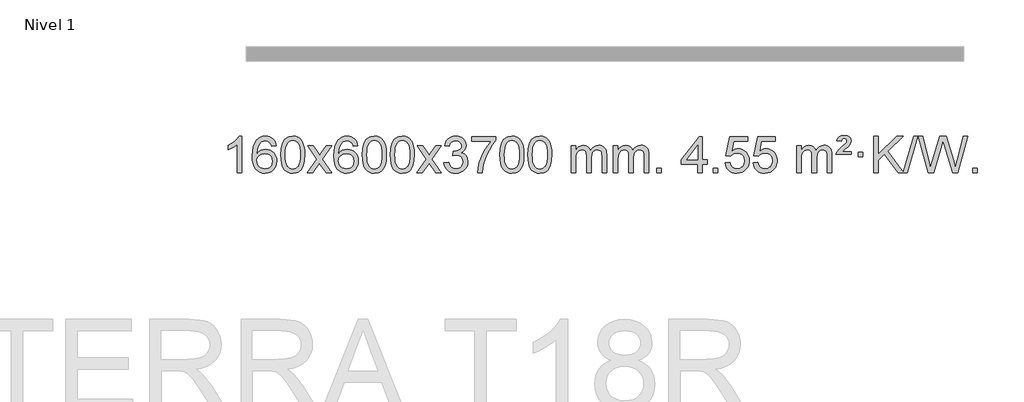
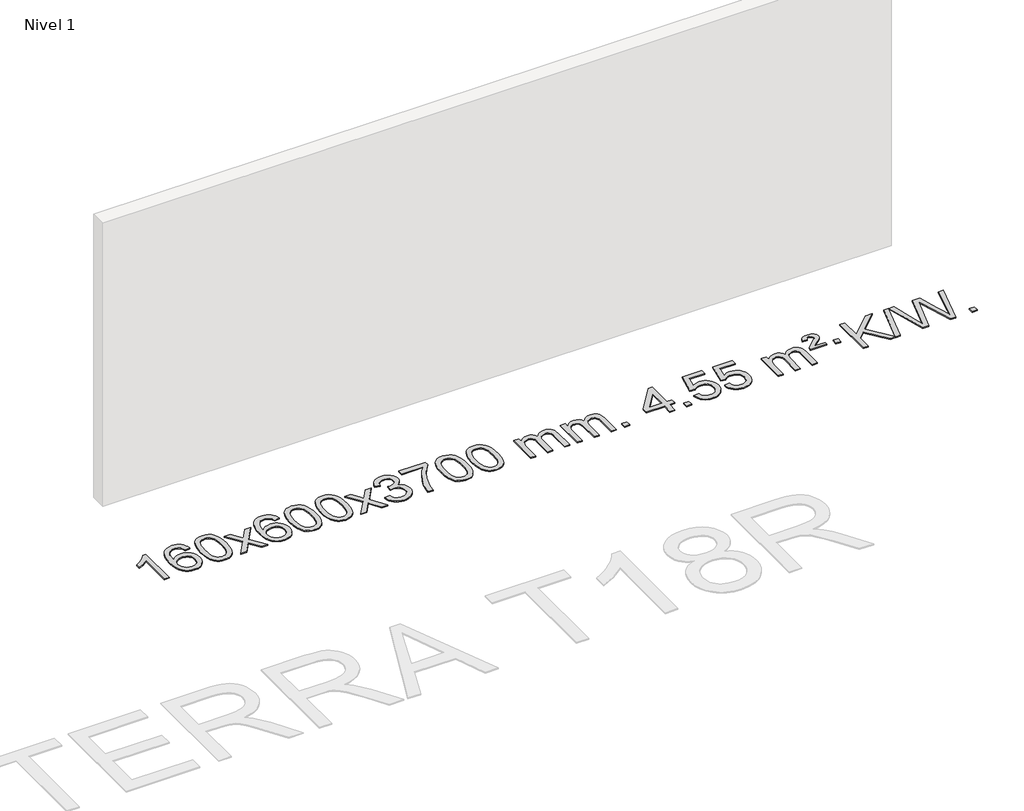
# One storey, part 6 of 13: 1 proxy.
"""IFC4 building model written with IfcOpenShell, lengths in millimetres."""

from ifc_helpers import new_model, si_unit, origin, origin_with_axes, place, context, project, spatial, polyline, outline, extrude, element, save

model = new_model("IFC4")

# Units and contexts
model_context = context("Model", 3, world=origin())
ifc_project = project(units=[si_unit("LENGTHUNIT", "METRE", prefix="MILLI")], contexts=[model_context])

# Site, building, storey
site = spatial("IfcSite", under=ifc_project)
building = spatial("IfcBuilding", under=site)
storey = spatial("IfcBuildingStorey", under=building, Name="Nivel 1", Elevation=0.0)

# Proxy
placement = place(None, origin())
element("IfcBuildingElementProxy", 1, Name="Texto de modelo 1", ObjectType="Texto de modelo 1", at=placement, inside=storey, context=model_context, shape_type="SweptSolid", body=[
    extrude(outline(polyline([(-1875.4615788, -15407.579453), (-1925.6897338, -15407.579453), (-1925.6897338, -15094.4382987), (-1946.6590076, -15111.3976587), (-1973.2691385, -15128.3324932), (-2026.146044, -15153.6918254), (-2026.146044, -15106.2105225), (-1986.6968314, -15084.7507395), (-1952.520594, -15059.219729), (-1925.5793692, -15032.0700378), (-1907.8351943, -15005.7542124), (-1875.4615788, -15005.7542124), (-1875.4615788, -15407.579453)])), origin_with_axes(), (0.0, 0.0, 1.0), 10.0),
    extrude(outline(polyline([(-1498.7504157, -15112.4890419), (-1548.9785708, -15118.7675613), (-1557.0719747, -15093.874213), (-1568.0103327, -15076.8780648), (-1590.7944909, -15061.2062918), (-1618.3365896, -15055.9823675), (-1641.6848336, -15059.0235253), (-1663.6596514, -15068.1469988), (-1682.5319978, -15087.3627017), (-1697.9462534, -15113.8134171), (-1708.3573138, -15151.227016), (-1712.2200748, -15203.3313693), (-1692.0724042, -15179.8237098), (-1667.9270826, -15163.2567573), (-1641.1330106, -15153.434308), (-1613.0390889, -15150.1601582), (-1588.90603, -15152.398107), (-1566.6369065, -15159.1119534), (-1546.2317185, -15170.3016975), (-1527.690466, -15185.9673391), (-1512.2823418, -15205.1769106), (-1501.2765387, -15226.9984443), (-1494.6730569, -15251.4319401), (-1492.4718963, -15278.4773982), (-1496.6167001, -15314.4439945), (-1509.0511116, -15347.786366), (-1528.745061, -15376.0642287), (-1554.668479, -15396.8372987), (-1585.644143, -15409.602804), (-1620.4948306, -15413.8579724), (-1650.4373594, -15411.0375437), (-1677.4797517, -15402.5762579), (-1701.6220076, -15388.4741147), (-1722.8641272, -15368.7311143), (-1740.1821721, -15342.5133908), (-1752.5522042, -15308.9870783), (-1759.9742234, -15268.1521768), (-1762.4482298, -15220.0086864), (-1759.7013776, -15166.0342663), (-1751.4608209, -15119.9693092), (-1737.7265598, -15081.8138149), (-1718.4985942, -15051.5677835), (-1697.6580791, -15031.5243462), (-1673.4943634, -15017.2076052), (-1646.007447, -15008.6175606), (-1615.1973299, -15005.7542124), (-1592.0636838, -15007.5261773), (-1571.1250669, -15012.8420722), (-1552.3814792, -15021.7018969), (-1535.8329208, -15034.1056515), (-1521.9269814, -15049.6364031), (-1511.1112507, -15067.8772186), (-1503.3857288, -15088.8280983), (-1498.7504157, -15112.4890419)]), holes=[polyline([(-1712.2200748, -15277.6925832), (-1709.313807, -15299.9494439), (-1700.5950037, -15321.2007605), (-1687.0569463, -15339.472233), (-1669.6929161, -15352.7895612), (-1648.7359051, -15360.9197533), (-1624.4189053, -15363.6298173), (-1591.2727375, -15358.0134855), (-1577.357601, -15350.9930708), (-1565.2144295, -15341.1644901), (-1555.3643891, -15328.9262824), (-1548.3286459, -15314.6769865), (-1542.7000514, -15280.1451299), (-1548.2550695, -15246.9989621), (-1555.1988422, -15233.3781312), (-1564.9201239, -15221.725469), (-1577.1000836, -15212.3904634), (-1591.4198903, -15205.7226022), (-1626.4790444, -15200.3883133), (-1659.5761613, -15205.7226022), (-1687.25315, -15221.725469), (-1698.1761796, -15233.2248471), (-1705.9783436, -15246.3858254), (-1710.659642, -15261.2084042), (-1712.2200748, -15277.6925832)])]), origin_with_axes(), (0.0, 0.0, 1.0), 10.0),
    extrude(outline(polyline([(-1448.5222606, -15209.9041943), (-1444.8311779, -15145.5861588), (-1433.7579299, -15094.2911459), (-1415.4128811, -15055.2343407), (-1403.5548181, -15040.0009605), (-1389.9063961, -15027.6309284), (-1374.4216298, -15018.0598651), (-1357.0545339, -15011.2233914), (-1316.6733536, -15005.7542124), (-1285.722215, -15008.991574), (-1258.0084381, -15018.7036586), (-1234.8318724, -15034.5103217), (-1217.4923677, -15056.0314184), (-1204.3957686, -15083.0830078), (-1193.94792, -15115.4811488), (-1187.1053149, -15156.6226186), (-1184.8244465, -15209.9041943), (-1188.478741, -15273.8543477), (-1199.4416244, -15325.0267333), (-1217.6763087, -15364.1203266), (-1229.5067805, -15379.3996922), (-1243.1460055, -15391.8341036), (-1258.6491659, -15401.4695462), (-1276.071444, -15408.3520052), (-1316.6733536, -15413.8579724), (-1344.3380796, -15411.4667394), (-1368.8635459, -15404.2930405), (-1390.2497526, -15392.3368757), (-1408.4966996, -15375.5982449), (-1426.0078825, -15345.3399508), (-1438.5158704, -15307.6381776), (-1446.0206631, -15262.4929255), (-1448.5222606, -15209.9041943)]), holes=[polyline([(-1398.2941056, -15209.8060924), (-1396.8225776, -15253.4706195), (-1392.4079936, -15288.8148822), (-1385.0503537, -15315.8388804), (-1374.7496579, -15334.5426142), (-1362.290721, -15347.2682656), (-1348.4583579, -15356.3580165), (-1333.2525688, -15361.8118671), (-1316.6733536, -15363.6298173), (-1300.0941383, -15361.8057357), (-1284.8883492, -15356.3334911), (-1271.0559862, -15347.2130833), (-1258.5970493, -15334.4445124), (-1248.2963534, -15315.7101217), (-1240.9387135, -15288.6922549), (-1236.5241295, -15253.3909118), (-1235.0526016, -15209.8060924), (-1236.4750786, -15167.2973278), (-1240.7425098, -15132.5753989), (-1247.854895, -15105.6403055), (-1257.8122343, -15086.4920476), (-1270.0627048, -15073.1440625), (-1284.0544833, -15063.6097875), (-1299.78757, -15057.8892225), (-1317.2619648, -15055.9823675), (-1333.7553409, -15057.6623619), (-1348.7036126, -15062.7023452), (-1362.10678, -15071.1023175), (-1373.9648429, -15082.8622786), (-1384.6088953, -15103.708925), (-1392.2117899, -15131.8151094), (-1396.7735266, -15167.1808319), (-1398.2941056, -15209.8060924)])]), origin_with_axes(), (0.0, 0.0, 1.0), 10.0),
    extrude(outline(polyline([(-1159.7103689, -15407.579453), (-1052.3869282, -15259.1513307), (-1153.4318496, -15112.4890419), (-1093.1973042, -15112.4890419), (-1044.4406771, -15183.2204869), (-1021.5829425, -15216.4770192), (-1001.7663657, -15189.2047007), (-946.2407099, -15112.4890419), (-885.8099608, -15112.4890419), (-991.9561791, -15259.2494325), (-889.7340354, -15407.579453), (-950.0666826, -15407.579453), (-1011.6746541, -15318.3067555), (-1022.8582667, -15301.923744), (-1099.2796199, -15407.579453), (-1159.7103689, -15407.579453)])), origin_with_axes(), (0.0, 0.0, 1.0), 10.0),
    extrude(outline(polyline([(-600.9221437, -15112.4890419), (-651.1502988, -15118.7675613), (-659.2437027, -15093.874213), (-670.1820607, -15076.8780648), (-692.9662189, -15061.2062918), (-720.5083176, -15055.9823675), (-743.8565616, -15059.0235253), (-765.8313794, -15068.1469988), (-784.7037258, -15087.3627017), (-800.1179814, -15113.8134171), (-810.5290419, -15151.227016), (-814.3918028, -15203.3313693), (-794.2441322, -15179.8237098), (-770.0988106, -15163.2567573), (-743.3047386, -15153.434308), (-715.2108169, -15150.1601582), (-691.077758, -15152.398107), (-668.8086346, -15159.1119534), (-648.4034466, -15170.3016975), (-629.862194, -15185.9673391), (-614.4540698, -15205.1769106), (-603.4482668, -15226.9984443), (-596.844785, -15251.4319401), (-594.6436244, -15278.4773982), (-598.7884282, -15314.4439945), (-611.2228396, -15347.786366), (-630.9167891, -15376.0642287), (-656.840207, -15396.8372987), (-687.815871, -15409.602804), (-722.6665587, -15413.8579724), (-752.6090874, -15411.0375437), (-779.6514797, -15402.5762579), (-803.7937357, -15388.4741147), (-825.0358552, -15368.7311143), (-842.3539001, -15342.5133908), (-854.7239322, -15308.9870783), (-862.1459515, -15268.1521768), (-864.6199579, -15220.0086864), (-861.8731057, -15166.0342663), (-853.632549, -15119.9693092), (-839.8982878, -15081.8138149), (-820.6703222, -15051.5677835), (-799.8298072, -15031.5243462), (-775.6660915, -15017.2076052), (-748.179175, -15008.6175606), (-717.3690579, -15005.7542124), (-694.2354118, -15007.5261773), (-673.2967949, -15012.8420722), (-654.5532073, -15021.7018969), (-638.0046489, -15034.1056515), (-624.0987094, -15049.6364031), (-613.2829788, -15067.8772186), (-605.5574569, -15088.8280983), (-600.9221437, -15112.4890419)]), holes=[polyline([(-814.3918028, -15277.6925832), (-811.485535, -15299.9494439), (-802.7667318, -15321.2007605), (-789.2286743, -15339.472233), (-771.8646442, -15352.7895612), (-750.9076332, -15360.9197533), (-726.5906333, -15363.6298173), (-693.4444655, -15358.0134855), (-679.5293291, -15350.9930708), (-667.3861575, -15341.1644901), (-657.5361171, -15328.9262824), (-650.500374, -15314.6769865), (-644.8717794, -15280.1451299), (-650.4267976, -15246.9989621), (-657.3705702, -15233.3781312), (-667.0918519, -15221.725469), (-679.2718117, -15212.3904634), (-693.5916183, -15205.7226022), (-728.6507725, -15200.3883133), (-761.7478893, -15205.7226022), (-789.4248781, -15221.725469), (-800.3479076, -15233.2248471), (-808.1500716, -15246.3858254), (-812.83137, -15261.2084042), (-814.3918028, -15277.6925832)])]), origin_with_axes(), (0.0, 0.0, 1.0), 10.0),
    extrude(outline(polyline([(-550.6939887, -15209.9041943), (-547.002906, -15145.5861588), (-535.9296579, -15094.2911459), (-517.5846091, -15055.2343407), (-505.7265461, -15040.0009605), (-492.0781241, -15027.6309284), (-476.5933578, -15018.0598651), (-459.2262619, -15011.2233914), (-418.8450816, -15005.7542124), (-387.8939431, -15008.991574), (-360.1801661, -15018.7036586), (-337.0036004, -15034.5103217), (-319.6640957, -15056.0314184), (-306.5674967, -15083.0830078), (-296.119648, -15115.4811488), (-289.2770429, -15156.6226186), (-286.9961745, -15209.9041943), (-290.650469, -15273.8543477), (-301.6133525, -15325.0267333), (-319.8480367, -15364.1203266), (-331.6785085, -15379.3996922), (-345.3177335, -15391.8341036), (-360.8208939, -15401.4695462), (-378.2431721, -15408.3520052), (-418.8450816, -15413.8579724), (-446.5098076, -15411.4667394), (-471.035274, -15404.2930405), (-492.4214806, -15392.3368757), (-510.6684276, -15375.5982449), (-528.1796106, -15345.3399508), (-540.6875984, -15307.6381776), (-548.1923911, -15262.4929255), (-550.6939887, -15209.9041943)]), holes=[polyline([(-500.4658336, -15209.8060924), (-498.9943056, -15253.4706195), (-494.5797217, -15288.8148822), (-487.2220818, -15315.8388804), (-476.9213859, -15334.5426142), (-464.462449, -15347.2682656), (-450.630086, -15356.3580165), (-435.4242968, -15361.8118671), (-418.8450816, -15363.6298173), (-402.2658663, -15361.8057357), (-387.0600772, -15356.3334911), (-373.2277142, -15347.2130833), (-360.7687773, -15334.4445124), (-350.4680814, -15315.7101217), (-343.1104415, -15288.6922549), (-338.6958576, -15253.3909118), (-337.2243296, -15209.8060924), (-338.6468066, -15167.2973278), (-342.9142378, -15132.5753989), (-350.026623, -15105.6403055), (-359.9839624, -15086.4920476), (-372.2344328, -15073.1440625), (-386.2262114, -15063.6097875), (-401.959298, -15057.8892225), (-419.4336928, -15055.9823675), (-435.9270689, -15057.6623619), (-450.8753406, -15062.7023452), (-464.278508, -15071.1023175), (-476.136571, -15082.8622786), (-486.7806234, -15103.708925), (-494.3835179, -15131.8151094), (-498.9452547, -15167.1808319), (-500.4658336, -15209.8060924)])]), origin_with_axes(), (0.0, 0.0, 1.0), 10.0),
    extrude(outline(polyline([(-243.0465388, -15209.9041943), (-239.3554561, -15145.5861588), (-228.2822081, -15094.2911459), (-209.9371593, -15055.2343407), (-198.0790963, -15040.0009605), (-184.4306743, -15027.6309284), (-168.945908, -15018.0598651), (-151.5788121, -15011.2233914), (-111.1976318, -15005.7542124), (-80.2464932, -15008.991574), (-52.5327163, -15018.7036586), (-29.3561506, -15034.5103217), (-12.0166459, -15056.0314184), (1.0799532, -15083.0830078), (11.5278018, -15115.4811488), (18.3704069, -15156.6226186), (20.6512753, -15209.9041943), (16.9969808, -15273.8543477), (6.0340974, -15325.0267333), (-12.2005869, -15364.1203266), (-24.0310587, -15379.3996922), (-37.6702837, -15391.8341036), (-53.1734441, -15401.4695462), (-70.5957222, -15408.3520052), (-111.1976318, -15413.8579724), (-138.8623578, -15411.4667394), (-163.3878241, -15404.2930405), (-184.7740308, -15392.3368757), (-203.0209778, -15375.5982449), (-220.5321607, -15345.3399508), (-233.0401486, -15307.6381776), (-240.5449413, -15262.4929255), (-243.0465388, -15209.9041943)]), holes=[polyline([(-192.8183838, -15209.8060924), (-191.3468558, -15253.4706195), (-186.9322718, -15288.8148822), (-179.5746319, -15315.8388804), (-169.2739361, -15334.5426142), (-156.8149992, -15347.2682656), (-142.9826361, -15356.3580165), (-127.776847, -15361.8118671), (-111.1976318, -15363.6298173), (-94.6184165, -15361.8057357), (-79.4126274, -15356.3334911), (-65.5802644, -15347.2130833), (-53.1213275, -15334.4445124), (-42.8206316, -15315.7101217), (-35.4629917, -15288.6922549), (-31.0484077, -15253.3909118), (-29.5768798, -15209.8060924), (-30.9993568, -15167.2973278), (-35.266788, -15132.5753989), (-42.3791732, -15105.6403055), (-52.3365125, -15086.4920476), (-64.586983, -15073.1440625), (-78.5787615, -15063.6097875), (-94.3118482, -15057.8892225), (-111.786243, -15055.9823675), (-128.2796191, -15057.6623619), (-143.2278908, -15062.7023452), (-156.6310582, -15071.1023175), (-168.4891211, -15082.8622786), (-179.1331735, -15103.708925), (-186.7360681, -15131.8151094), (-191.2978048, -15167.1808319), (-192.8183838, -15209.8060924)])]), origin_with_axes(), (0.0, 0.0, 1.0), 10.0),
    extrude(outline(polyline([(45.7653528, -15407.579453), (153.0887936, -15259.1513307), (52.0438722, -15112.4890419), (112.2784176, -15112.4890419), (161.0350447, -15183.2204869), (183.8927793, -15216.4770192), (203.7093561, -15189.2047007), (259.2350119, -15112.4890419), (319.665761, -15112.4890419), (213.5195426, -15259.2494325), (315.7416864, -15407.579453), (255.4090392, -15407.579453), (193.8010677, -15318.3067555), (182.6174551, -15301.923744), (106.1961019, -15407.579453), (45.7653528, -15407.579453)])), origin_with_axes(), (0.0, 0.0, 1.0), 10.0),
    extrude(outline(polyline([(347.1342833, -15300.8446235), (397.3624384, -15294.5661041), (408.6073647, -15326.1303793), (425.0762153, -15347.4430095), (447.5783307, -15359.5831154), (476.9230512, -15363.6298173), (511.3568059, -15358.0625364), (525.6306274, -15351.1034354), (537.9424115, -15341.3606939), (554.9385596, -15316.4428201), (560.6039424, -15286.2274455), (554.9876106, -15257.5449126), (538.1386152, -15234.2825078), (512.6321302, -15218.8682522), (481.0433295, -15213.730167), (445.8247599, -15219.2238715), (451.4165662, -15168.9957164), (459.4609192, -15169.5843276), (489.5536664, -15165.979084), (516.4581029, -15155.1633534), (527.531351, -15146.9841103), (535.4408139, -15136.8673555), (540.1864916, -15124.8130888), (541.7683842, -15110.8213102), (537.182122, -15089.1285352), (523.4233354, -15071.5315131), (502.4295362, -15059.8696539), (476.1382363, -15055.9823675), (449.7978854, -15059.9064421), (428.264526, -15071.6786659), (412.543702, -15091.299039), (403.6409578, -15118.7675613), (353.4128027, -15112.4890419), (359.3663596, -15088.5092672), (368.2016589, -15067.3867093), (379.9187004, -15049.1213683), (394.5174843, -15033.713244), (411.5381579, -15021.4811677), (430.5208689, -15012.7439703), (451.4656171, -15007.5016519), (474.3724027, -15005.7542124), (505.9489406, -15009.2000404), (534.9503046, -15019.5375245), (559.4021945, -15035.8469596), (577.3303104, -15057.2086408), (588.3299821, -15081.8199463), (591.9965393, -15107.8782543), (588.5139231, -15132.1584659), (578.0660744, -15154.1823347), (560.8001461, -15172.9443165), (536.8632909, -15187.4388671), (568.3049388, -15200.1430586), (591.6041318, -15221.77452), (606.025106, -15251.1560286), (610.8320974, -15287.1103623), (608.4286017, -15312.5923218), (601.2181146, -15336.0631931), (589.2006361, -15357.5229762), (572.3761662, -15376.971671), (551.8790077, -15393.1094278), (528.8434634, -15404.636397), (503.2695334, -15411.5525785), (475.1572176, -15413.8579724), (449.7488345, -15411.8898037), (426.5967943, -15405.9852977), (405.7010969, -15396.1444543), (387.0617425, -15382.3672736), (371.4328891, -15365.4630959), (359.5686947, -15346.2412617), (351.4691595, -15324.7017708), (347.1342833, -15300.8446235)])), origin_with_axes(), (0.0, 0.0, 1.0), 10.0),
    extrude(outline(polyline([(654.7817331, -15062.2608869), (654.7817331, -15012.0327318), (918.4795473, -15012.0327318), (918.4795473, -15052.646904), (880.8942701, -15100.214046), (843.6768749, -15160.7061088), (810.8495382, -15228.6048623), (786.4344365, -15298.3920768), (774.4660089, -15350.6067947), (767.795082, -15407.579453), (717.566927, -15407.579453), (722.9993178, -15355.8061935), (737.5306566, -15294.2717985), (760.7685359, -15229.0463207), (792.3205484, -15166.1998132), (829.1577988, -15109.3865704), (868.2513922, -15062.2608869), (654.7817331, -15062.2608869)])), origin_with_axes(), (0.0, 0.0, 1.0), 10.0),
    extrude(outline(polyline([(962.429183, -15209.9041943), (966.1202656, -15145.5861588), (977.1935137, -15094.2911459), (995.5385625, -15055.2343407), (1007.3966255, -15040.0009605), (1021.0450475, -15027.6309284), (1036.5298138, -15018.0598651), (1053.8969097, -15011.2233914), (1094.27809, -15005.7542124), (1125.2292286, -15008.991574), (1152.9430055, -15018.7036586), (1176.1195712, -15034.5103217), (1193.4590759, -15056.0314184), (1206.555675, -15083.0830078), (1217.0035236, -15115.4811488), (1223.8461287, -15156.6226186), (1226.1269971, -15209.9041943), (1222.4727026, -15273.8543477), (1211.5098192, -15325.0267333), (1193.2751349, -15364.1203266), (1181.4446631, -15379.3996922), (1167.8054381, -15391.8341036), (1152.3022777, -15401.4695462), (1134.8799996, -15408.3520052), (1094.27809, -15413.8579724), (1066.613364, -15411.4667394), (1042.0878976, -15404.2930405), (1020.701691, -15392.3368757), (1002.454744, -15375.5982449), (984.9435611, -15345.3399508), (972.4355732, -15307.6381776), (964.9307805, -15262.4929255), (962.429183, -15209.9041943)]), holes=[polyline([(1012.657338, -15209.8060924), (1014.128866, -15253.4706195), (1018.54345, -15288.8148822), (1025.9010899, -15315.8388804), (1036.2017857, -15334.5426142), (1048.6607226, -15347.2682656), (1062.4930856, -15356.3580165), (1077.6988748, -15361.8118671), (1094.27809, -15363.6298173), (1110.8573053, -15361.8057357), (1126.0630944, -15356.3334911), (1139.8954574, -15347.2130833), (1152.3543943, -15334.4445124), (1162.6550902, -15315.7101217), (1170.0127301, -15288.6922549), (1174.427314, -15253.3909118), (1175.898842, -15209.8060924), (1174.476365, -15167.2973278), (1170.2089338, -15132.5753989), (1163.0965486, -15105.6403055), (1153.1392093, -15086.4920476), (1140.8887388, -15073.1440625), (1126.8969603, -15063.6097875), (1111.1638736, -15057.8892225), (1093.6894788, -15055.9823675), (1077.1961027, -15057.6623619), (1062.247831, -15062.7023452), (1048.8446636, -15071.1023175), (1036.9866007, -15082.8622786), (1026.3425483, -15103.708925), (1018.7396537, -15131.8151094), (1014.1779169, -15167.1808319), (1012.657338, -15209.8060924)])]), origin_with_axes(), (0.0, 0.0, 1.0), 10.0),
    extrude(outline(polyline([(1270.0766328, -15209.9041943), (1273.7677155, -15145.5861588), (1284.8409635, -15094.2911459), (1303.1860124, -15055.2343407), (1315.0440753, -15040.0009605), (1328.6924974, -15027.6309284), (1344.1772637, -15018.0598651), (1361.5443595, -15011.2233914), (1401.9255399, -15005.7542124), (1432.8766784, -15008.991574), (1460.5904554, -15018.7036586), (1483.7670211, -15034.5103217), (1501.1065258, -15056.0314184), (1514.2031248, -15083.0830078), (1524.6509735, -15115.4811488), (1531.4935786, -15156.6226186), (1533.7744469, -15209.9041943), (1530.1201525, -15273.8543477), (1519.157269, -15325.0267333), (1500.9225848, -15364.1203266), (1489.0921129, -15379.3996922), (1475.452888, -15391.8341036), (1459.9497276, -15401.4695462), (1442.5274494, -15408.3520052), (1401.9255399, -15413.8579724), (1374.2608138, -15411.4667394), (1349.7353475, -15404.2930405), (1328.3491408, -15392.3368757), (1310.1021939, -15375.5982449), (1292.5910109, -15345.3399508), (1280.0830231, -15307.6381776), (1272.5782304, -15262.4929255), (1270.0766328, -15209.9041943)]), holes=[polyline([(1320.3047879, -15209.8060924), (1321.7763158, -15253.4706195), (1326.1908998, -15288.8148822), (1333.5485397, -15315.8388804), (1343.8492356, -15334.5426142), (1356.3081725, -15347.2682656), (1370.1405355, -15356.3580165), (1385.3463246, -15361.8118671), (1401.9255399, -15363.6298173), (1418.5047551, -15361.8057357), (1433.7105442, -15356.3334911), (1447.5429073, -15347.2130833), (1460.0018442, -15334.4445124), (1470.30254, -15315.7101217), (1477.6601799, -15288.6922549), (1482.0747639, -15253.3909118), (1483.5462919, -15209.8060924), (1482.1238148, -15167.2973278), (1477.8563837, -15132.5753989), (1470.7439984, -15105.6403055), (1460.7866591, -15086.4920476), (1448.5361887, -15073.1440625), (1434.5444101, -15063.6097875), (1418.8113234, -15057.8892225), (1401.3369287, -15055.9823675), (1384.8435526, -15057.6623619), (1369.8952808, -15062.7023452), (1356.4921135, -15071.1023175), (1344.6340505, -15082.8622786), (1333.9899981, -15103.708925), (1326.3871035, -15131.8151094), (1321.8253668, -15167.1808319), (1320.3047879, -15209.8060924)])]), origin_with_axes(), (0.0, 0.0, 1.0), 10.0),
    extrude(outline(polyline([(1747.244106, -15407.579453), (1747.244106, -15112.4890419), (1797.4722611, -15112.4890419), (1797.4722611, -15161.0494653), (1812.5799483, -15138.7435537), (1832.0041177, -15121.2691589), (1855.0825815, -15109.9751816), (1881.1531522, -15106.2105225), (1909.0876584, -15110.048758), (1931.4794092, -15121.5634645), (1948.2057772, -15139.9943524), (1959.1441352, -15164.5811324), (1977.4523959, -15139.0439906), (1998.3358304, -15120.803175), (2021.794439, -15109.8586857), (2047.8282215, -15106.2105225), (2067.9360383, -15107.7280358), (2085.585177, -15112.2805755), (2100.7756377, -15119.8681416), (2113.5074204, -15130.4907342), (2123.5720587, -15144.2709806), (2130.761086, -15161.3315082), (2135.0745024, -15181.6723168), (2136.5123078, -15205.2934066), (2136.5123078, -15407.579453), (2086.2841528, -15407.579453), (2086.2841528, -15226.875817), (2085.1191931, -15201.8230531), (2081.6243142, -15184.9372695), (2075.0760146, -15173.3735121), (2064.7507933, -15164.2868268), (2051.4702533, -15158.4007149), (2036.0559977, -15156.4386776), (2008.8449928, -15161.4663982), (1986.6617085, -15176.54956), (1978.0563355, -15188.1194488), (1971.9096405, -15202.7182326), (1966.9922845, -15241.0024856), (1966.9922845, -15407.579453), (1916.7641294, -15407.579453), (1916.7641294, -15221.2840106), (1913.8578616, -15192.8835206), (1905.1390583, -15172.6254854), (1889.7983791, -15160.4853796), (1867.0264836, -15156.4386776), (1847.6758907, -15159.1364789), (1829.8458767, -15167.2298828), (1815.1305968, -15180.5226856), (1805.1242066, -15198.8186835), (1799.3852475, -15224.2025411), (1797.4722611, -15258.7589232), (1797.4722611, -15407.579453), (1747.244106, -15407.579453)])), origin_with_axes(), (0.0, 0.0, 1.0), 10.0),
    extrude(outline(polyline([(2211.8545404, -15407.579453), (2211.8545404, -15112.4890419), (2262.0826955, -15112.4890419), (2262.0826955, -15161.0494653), (2277.1903828, -15138.7435537), (2296.6145521, -15121.2691589), (2319.693016, -15109.9751816), (2345.7635867, -15106.2105225), (2373.6980929, -15110.048758), (2396.0898436, -15121.5634645), (2412.8162117, -15139.9943524), (2423.7545697, -15164.5811324), (2442.0628303, -15139.0439906), (2462.9462649, -15120.803175), (2486.4048734, -15109.8586857), (2512.438656, -15106.2105225), (2532.5464727, -15107.7280358), (2550.1956114, -15112.2805755), (2565.3860721, -15119.8681416), (2578.1178548, -15130.4907342), (2588.1824931, -15144.2709806), (2595.3715204, -15161.3315082), (2599.6849368, -15181.6723168), (2601.1227423, -15205.2934066), (2601.1227423, -15407.579453), (2550.8945872, -15407.579453), (2550.8945872, -15226.875817), (2549.7296276, -15201.8230531), (2546.2347486, -15184.9372695), (2539.6864491, -15173.3735121), (2529.3612278, -15164.2868268), (2516.0806877, -15158.4007149), (2500.6664321, -15156.4386776), (2473.4554272, -15161.4663982), (2451.2721429, -15176.54956), (2442.6667699, -15188.1194488), (2436.5200749, -15202.7182326), (2431.6027189, -15241.0024856), (2431.6027189, -15407.579453), (2381.3745638, -15407.579453), (2381.3745638, -15221.2840106), (2378.4682961, -15192.8835206), (2369.7494928, -15172.6254854), (2354.4088136, -15160.4853796), (2331.6369181, -15156.4386776), (2312.2863251, -15159.1364789), (2294.4563111, -15167.2298828), (2279.7410313, -15180.5226856), (2269.734641, -15198.8186835), (2263.9956819, -15224.2025411), (2262.0826955, -15258.7589232), (2262.0826955, -15407.579453), (2211.8545404, -15407.579453)])), origin_with_axes(), (0.0, 0.0, 1.0), 10.0),
    extrude(outline(polyline([(2689.0220137, -15407.579453), (2689.0220137, -15357.3512979), (2739.2501687, -15357.3512979), (2739.2501687, -15407.579453), (2689.0220137, -15407.579453)])), origin_with_axes(), (0.0, 0.0, 1.0), 10.0),
    extrude(outline(polyline([(3141.0754093, -15407.579453), (3141.0754093, -15313.4016622), (2958.9983472, -15313.4016622), (2958.9983472, -15263.1735072), (3153.6324481, -15012.0327318), (3191.3035644, -15012.0327318), (3191.3035644, -15263.1735072), (3241.5317195, -15263.1735072), (3241.5317195, -15313.4016622), (3191.3035644, -15313.4016622), (3191.3035644, -15407.579453), (3141.0754093, -15407.579453)]), holes=[polyline([(3141.0754093, -15263.1735072), (3141.0754093, -15107.9763561), (3020.8025224, -15263.1735072), (3141.0754093, -15263.1735072)])]), origin_with_axes(), (0.0, 0.0, 1.0), 10.0),
    extrude(outline(polyline([(3310.5954327, -15407.579453), (3310.5954327, -15357.3512979), (3360.8235878, -15357.3512979), (3360.8235878, -15407.579453), (3310.5954327, -15407.579453)])), origin_with_axes(), (0.0, 0.0, 1.0), 10.0),
    extrude(outline(polyline([(3442.4443398, -15300.8446235), (3492.6724949, -15294.5661041), (3501.8940702, -15324.7201649), (3517.9827761, -15346.3148381), (3540.8650362, -15359.3010725), (3570.4672741, -15363.6298173), (3589.5971379, -15362.1245668), (3606.4706587, -15357.6088153), (3621.0878366, -15350.0825628), (3633.4486717, -15339.5458094), (3643.2772523, -15326.519721), (3650.2976671, -15311.5254641), (3655.9139988, -15275.6324441), (3650.6532863, -15241.8363514), (3644.0773957, -15227.9181493), (3634.8711487, -15215.9865099), (3623.0038887, -15206.4154467), (3608.4449587, -15199.5789729), (3571.252089, -15194.1097939), (3546.8860382, -15196.2925604), (3527.1553005, -15202.8408599), (3511.3976884, -15212.8717757), (3498.9510142, -15225.5023908), (3448.7228592, -15219.2238715), (3492.6724949, -15012.0327318), (3687.3065958, -15012.0327318), (3687.3065958, -15062.2608869), (3533.2866671, -15062.2608869), (3511.7042567, -15172.919791), (3529.4300375, -15160.2155994), (3547.585014, -15151.1411769), (3566.1691861, -15145.6965234), (3585.1825539, -15143.8816388), (3609.6467066, -15146.1318504), (3632.1242965, -15152.882485), (3652.6153236, -15164.1335427), (3671.119788, -15179.8850234), (3686.4420731, -15199.1743027), (3697.3865624, -15221.038756), (3703.9532561, -15245.4783832), (3706.1421539, -15272.4931844), (3704.1739852, -15298.5147042), (3698.2694792, -15322.7213394), (3688.4286359, -15345.1130902), (3674.6514551, -15365.6899565), (3653.7802833, -15386.7634634), (3629.4264952, -15401.8159684), (3601.5900909, -15410.8474714), (3570.2710704, -15413.8579724), (3544.3507181, -15411.9235262), (3520.9380948, -15406.1201877), (3500.0332004, -15396.447957), (3481.636035, -15382.9068338), (3466.3290783, -15366.1712688), (3454.6948102, -15346.915712), (3446.7332307, -15325.1401636), (3442.4443398, -15300.8446235)])), origin_with_axes(), (0.0, 0.0, 1.0), 10.0),
    extrude(outline(polyline([(3750.0917896, -15300.8446235), (3800.3199447, -15294.5661041), (3809.54152, -15324.7201649), (3825.630226, -15346.3148381), (3848.5124861, -15359.3010725), (3878.1147239, -15363.6298173), (3897.2445877, -15362.1245668), (3914.1181085, -15357.6088153), (3928.7352865, -15350.0825628), (3941.0961215, -15339.5458094), (3950.9247021, -15326.519721), (3957.9451169, -15311.5254641), (3963.5614487, -15275.6324441), (3958.3007361, -15241.8363514), (3951.7248455, -15227.9181493), (3942.5185986, -15215.9865099), (3930.6513385, -15206.4154467), (3916.0924086, -15199.5789729), (3878.8995389, -15194.1097939), (3854.533488, -15196.2925604), (3834.8027504, -15202.8408599), (3819.0451382, -15212.8717757), (3806.5984641, -15225.5023908), (3756.370309, -15219.2238715), (3800.3199447, -15012.0327318), (3994.9540456, -15012.0327318), (3994.9540456, -15062.2608869), (3840.934117, -15062.2608869), (3819.3517066, -15172.919791), (3837.0774874, -15160.2155994), (3855.2324638, -15151.1411769), (3873.816636, -15145.6965234), (3892.8300037, -15143.8816388), (3917.2941564, -15146.1318504), (3939.7717463, -15152.882485), (3960.2627735, -15164.1335427), (3978.7672378, -15179.8850234), (3994.0895229, -15199.1743027), (4005.0340123, -15221.038756), (4011.6007059, -15245.4783832), (4013.7896038, -15272.4931844), (4011.8214351, -15298.5147042), (4005.9169291, -15322.7213394), (3996.0760857, -15345.1130902), (3982.298905, -15365.6899565), (3961.4277331, -15386.7634634), (3937.073945, -15401.8159684), (3909.2375407, -15410.8474714), (3877.9185202, -15413.8579724), (3851.998168, -15411.9235262), (3828.5855447, -15406.1201877), (3807.6806503, -15396.447957), (3789.2834848, -15382.9068338), (3773.9765281, -15366.1712688), (3762.3422601, -15346.915712), (3754.3806805, -15325.1401636), (3750.0917896, -15300.8446235)])), origin_with_axes(), (0.0, 0.0, 1.0), 10.0),
    extrude(outline(polyline([(4227.2592628, -15407.579453), (4227.2592628, -15112.4890419), (4277.4874179, -15112.4890419), (4277.4874179, -15161.0494653), (4292.5951052, -15138.7435537), (4312.0192745, -15121.2691589), (4335.0977383, -15109.9751816), (4361.1683091, -15106.2105225), (4389.1028152, -15110.048758), (4411.494566, -15121.5634645), (4428.2209341, -15139.9943524), (4439.159292, -15164.5811324), (4457.4675527, -15139.0439906), (4478.3509873, -15120.803175), (4501.8095958, -15109.8586857), (4527.8433783, -15106.2105225), (4547.9511951, -15107.7280358), (4565.6003338, -15112.2805755), (4580.7907945, -15119.8681416), (4593.5225772, -15130.4907342), (4603.5872155, -15144.2709806), (4610.7762428, -15161.3315082), (4615.0896592, -15181.6723168), (4616.5274647, -15205.2934066), (4616.5274647, -15407.579453), (4566.2993096, -15407.579453), (4566.2993096, -15226.875817), (4565.1343499, -15201.8230531), (4561.639471, -15184.9372695), (4555.0911715, -15173.3735121), (4544.7659501, -15164.2868268), (4531.4854101, -15158.4007149), (4516.0711545, -15156.4386776), (4488.8601496, -15161.4663982), (4466.6768653, -15176.54956), (4458.0714923, -15188.1194488), (4451.9247973, -15202.7182326), (4447.0074413, -15241.0024856), (4447.0074413, -15407.579453), (4396.7792862, -15407.579453), (4396.7792862, -15221.2840106), (4393.8730184, -15192.8835206), (4385.1542152, -15172.6254854), (4369.813536, -15160.4853796), (4347.0416405, -15156.4386776), (4327.6910475, -15159.1364789), (4309.8610335, -15167.2298828), (4295.1457537, -15180.5226856), (4285.1393634, -15198.8186835), (4279.4004043, -15224.2025411), (4277.4874179, -15258.7589232), (4277.4874179, -15407.579453), (4227.2592628, -15407.579453)])), origin_with_axes(), (0.0, 0.0, 1.0), 10.0),
    extrude(outline(polyline([(4660.4771003, -15206.6668327), (4664.3030731, -15190.8479069), (4672.6417317, -15174.9799302), (4694.1505656, -15149.8413272), (4726.1072483, -15122.1030247), (4770.2530877, -15084.726214), (4777.3899984, -15073.1992448), (4779.7689686, -15061.3779701), (4777.8805077, -15049.2869152), (4772.215125, -15039.5012541), (4762.8463969, -15033.026531), (4749.8478997, -15030.8682899), (4737.4134883, -15032.4869707), (4728.5597949, -15037.343013), (4722.1341227, -15046.8098431), (4716.9837748, -15062.2608869), (4666.7556197, -15055.9823675), (4677.5958759, -15030.7701881), (4694.224142, -15013.2099542), (4717.9893189, -15002.9092583), (4750.2403072, -14999.475693), (4786.0229626, -15003.6082341), (4810.7691581, -15016.0058573), (4825.1901323, -15034.3386434), (4829.9971237, -15056.2766731), (4825.9013708, -15079.1834586), (4813.6141122, -15100.8149199), (4793.0862969, -15120.6314968), (4756.6169284, -15148.6886303), (4731.0123416, -15175.2742358), (4829.9971237, -15175.2742358), (4829.9971237, -15206.6668327), (4660.4771003, -15206.6668327)])), origin_with_axes(), (0.0, 0.0, 1.0), 10.0),
    extrude(outline(polyline([(4905.3393563, -15231.7809102), (4905.3393563, -15181.5527552), (4955.5675114, -15181.5527552), (4955.5675114, -15231.7809102), (4905.3393563, -15231.7809102)])), origin_with_axes(), (0.0, 0.0, 1.0), 10.0),
    extrude(outline(polyline([(5346.2091394, -15407.579453), (5192.67972, -15204.9009991), (5125.0875348, -15269.4520265), (5125.0875348, -15407.579453), (5074.8593797, -15407.579453), (5074.8593797, -15005.7542124), (5125.0875348, -15005.7542124), (5125.0875348, -15202.4484525), (5331.1014521, -15005.7542124), (5401.3423877, -15005.7542124), (5228.2906972, -15170.9577537), (5403.0417306, -15401.5373449), (5514.3557366, -15005.7542124), (5559.8750022, -15005.7542124), (5446.7635514, -15407.579453), (5407.6209071, -15407.579453), (5401.3423877, -15407.579453), (5346.2091394, -15407.579453)])), origin_with_axes(), (0.0, 0.0, 1.0), 10.0),
    extrude(outline(polyline([(5674.1636753, -15407.579453), (5564.5838917, -15005.7542124), (5616.3816766, -15005.7542124), (5679.9516854, -15269.844434), (5699.5720585, -15351.3670841), (5720.5658576, -15279.2622131), (5800.2245723, -15005.7542124), (5874.8800919, -15005.7542124), (5932.7601925, -15204.0180823), (5957.5554389, -15277.5944814), (5975.8269114, -15351.3670841), (5994.8586732, -15272.1988788), (6058.9191913, -15005.7542124), (6110.8150781, -15005.7542124), (6001.3333964, -15407.579453), (5947.5735741, -15407.579453), (5851.1394405, -15097.5775584), (5837.6994849, -15054.3146358), (5822.5917976, -15106.4067263), (5734.7906281, -15407.579453), (5674.1636753, -15407.579453)])), origin_with_axes(), (0.0, 0.0, 1.0), 10.0),
    extrude(outline(polyline([(6167.3217526, -15407.579453), (6167.3217526, -15357.3512979), (6217.5499077, -15357.3512979), (6217.5499077, -15407.579453), (6167.3217526, -15407.579453)])), origin_with_axes(), (0.0, 0.0, 1.0), 10.0),
])

save(model, "model.ifc")
